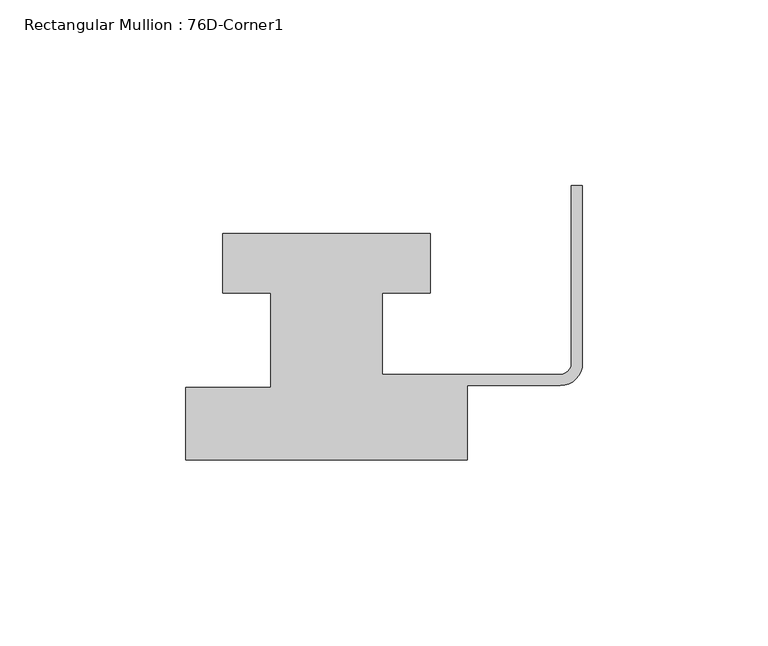
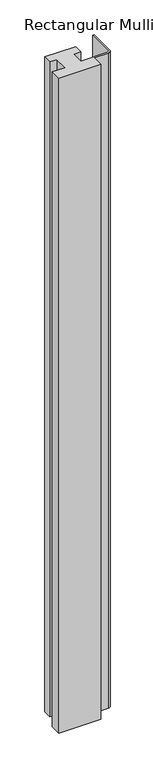
"""IFC4 building model written with IfcOpenShell, lengths in millimetres: member geometry, Rectangular Mullion : 76D-Corner1."""

from ifc_helpers import new_model, si_unit, point, frame, frame_2d, origin, place, context, project, spatial, polyline, circle_curve, trimmed, segment, composite_curve, outline, extrude, source, transform, mapped, element, save


def rectangular_mullion_76d_corner1_dc6abd46(model_context):
    return source(origin(), model_context, "Body", "SweptSolid", [
        extrude(outline(composite_curve([segment(polyline([(-107.0, -20.0), (-107.0, -0.5), (-84.0, -0.5), (-84.0, 25.0), (-97.0, 25.0), (-97.0, 41.0), (-41.0, 41.0), (-41.0, 25.0), (-54.0, 25.0), (-54.0, 3.0), (-6.0, 3.0)]), True, "CONTINUOUS"), segment(trimmed(circle_curve(frame_2d((-6.0, 6.0)), 3.0), [point((-6.0, 3.0))], [point((-3.0, 6.0))], True, "CARTESIAN"), True, "CONTINUOUS"), segment(polyline([(-3.0, 6.0), (-3.0, 54.0), (0.0, 54.0), (0.0, 6.0)]), True, "CONTINUOUS"), segment(trimmed(circle_curve(frame_2d((-6.0, 6.0)), 6.0), [point((0.0, 6.0))], [point((-6.0, 0.0))], False, "CARTESIAN"), True, "CONTINUOUS"), segment(polyline([(-6.0, 0.0), (-31.0, 0.0), (-31.0, -20.0), (-107.0, -20.0)]), True, "CONTINUOUS")], self_intersect=False)), frame((0.0, 0.0, -1246.465707), z_axis=(0.0, 0.0, 1.0), x_axis=(1.0, 0.0, 0.0)), (0.0, 0.0, 1.0), 1246.465707),
    ])


if __name__ == "__main__":
    model = new_model("IFC4")
    model_context = context("Model", 3, world=origin())
    ifc_project = project(units=[si_unit("LENGTHUNIT", "METRE", prefix="MILLI")], contexts=[model_context])
    site = spatial("IfcSite", under=ifc_project)
    building = spatial("IfcBuilding", under=site)
    placement = place(None, origin())
    rectangular_mullion_76d_corner1_shape = rectangular_mullion_76d_corner1_dc6abd46(model_context)
    element("IfcMember", 1, ObjectType="Rectangular Mullion : 76D-Corner1", at=placement, inside=building, context=model_context, shape_type="MappedRepresentation", body=[
        mapped(rectangular_mullion_76d_corner1_shape, transform((0.0, 0.0, 0.0), x_axis=(1.0, 0.0, 0.0), y_axis=(0.0, 1.0, 0.0), z_axis=(0.0, 0.0, 1.0))),
    ])
    save(model, "model.ifc")
